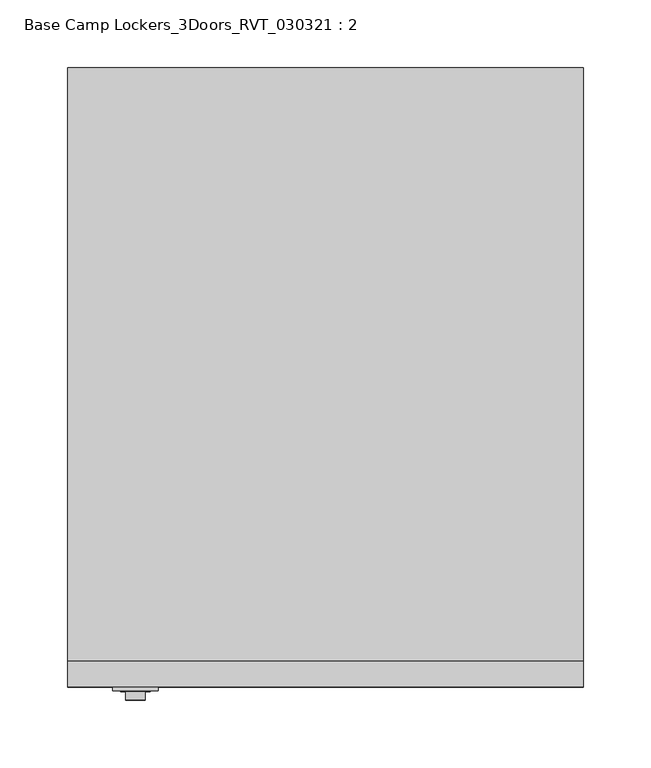
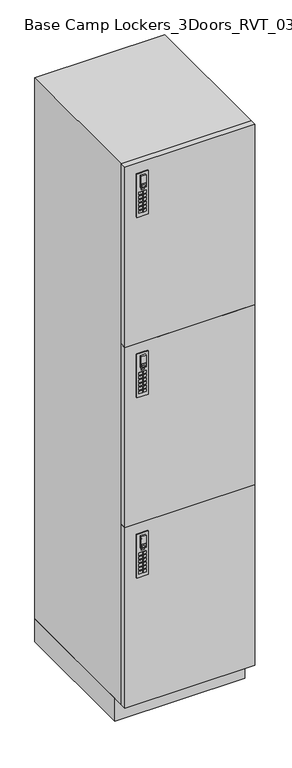
"""IFC4 building model written with IfcOpenShell, lengths in millimetres: furniture geometry, Base Camp Lockers_3Doors_RVT_030321 : 2."""

import ifcopenshell
import ifcopenshell.guid

model = None  # the IFC model being written
_history = None  # IfcOwnerHistory: only IFC2X3 demands one
_inside = {}  # id of a spatial element -> (the spatial element, [elements in it])
_under = {}  # id of a project, library or spatial element -> (it, [spatial elements below it])
_declared = {}  # id of a project -> (the project, [libraries it declares])
_typed = {}  # id of a type object -> (the type object, [elements of that type])
_made_of = {}  # id of a material, layer set ... -> (it, [elements and type objects made of it])


def new_model(schema):
    """Start an empty IFC model of exactly this schema.

    Asked for "IFC4X3", IfcOpenShell would pick the latest addendum, in which some entities
    have other attributes; the version numbers below select the first issue.
    IFC2X3 requires an IfcOwnerHistory on every rooted entity: one is made here for all.
    """
    global model, _history
    if schema == "IFC4X3":
        model = ifcopenshell.file(schema_version=(4, 3, 0, 0))
    else:
        model = ifcopenshell.file(schema=schema)
    _inside.clear()
    _under.clear()
    _declared.clear()
    _typed.clear()
    _made_of.clear()
    _history = None
    if model.schema == "IFC2X3":
        org = make("IfcOrganization", Name="unknown")
        user = make(
            "IfcPersonAndOrganization",
            ThePerson=make("IfcPerson", FamilyName="unknown"),
            TheOrganization=org,
        )
        app = make(
            "IfcApplication",
            ApplicationDeveloper=org,
            Version="unknown",
            ApplicationFullName="unknown",
            ApplicationIdentifier="unknown",
        )
        _history = make(
            "IfcOwnerHistory",
            OwningUser=user,
            OwningApplication=app,
            ChangeAction="ADDED",
            CreationDate=0,
        )
    return model


def make(cls, **values):
    """One entity of the class cls with the attributes given. An attribute that is None is left unset."""
    return model.create_entity(
        cls, **{name: value for name, value in values.items() if value is not None}
    )


def rooted(cls, **values):
    """An entity with a GlobalId (a new one), such as an element, a storey or a relation."""
    return make(cls, GlobalId=ifcopenshell.guid.new(), OwnerHistory=_history, **values)


def si_unit(unit_type, name, prefix=None):
    """IfcSIUnit, for example si_unit("LENGTHUNIT", "METRE", prefix="MILLI")."""
    return make("IfcSIUnit", UnitType=unit_type, Prefix=prefix, Name=name)


def assignment(units):
    """IfcUnitAssignment: the units of a project."""
    return None if units is None else make("IfcUnitAssignment", Units=units)


def point(xyz):
    """IfcCartesianPoint."""
    return None if xyz is None else make("IfcCartesianPoint", Coordinates=xyz)


def direction(xyz):
    """IfcDirection."""
    return None if xyz is None else make("IfcDirection", DirectionRatios=xyz)


def frame(location, z_axis=None, x_axis=None):
    """IfcAxis2Placement3D, a coordinate frame: its origin and axes. An axis left out is left unset."""
    return make(
        "IfcAxis2Placement3D",
        Location=point(location),
        Axis=direction(z_axis),
        RefDirection=direction(x_axis),
    )


def frame_2d(location, x_axis=None):
    """IfcAxis2Placement2D, a coordinate frame in the plane: its origin and x axis."""
    return make(
        "IfcAxis2Placement2D", Location=point(location), RefDirection=direction(x_axis)
    )


def origin():
    """The frame at (0, 0, 0) with its axes left unset."""
    return frame((0.0, 0.0, 0.0))


def origin_with_axes():
    """The frame at (0, 0, 0) with the z axis (0, 0, 1) and the x axis (1, 0, 0) written out."""
    return frame((0.0, 0.0, 0.0), z_axis=(0.0, 0.0, 1.0), x_axis=(1.0, 0.0, 0.0))


def place(relative_to, where):
    """IfcLocalPlacement: puts the frame where relative to a parent placement (None: the world)."""
    return make(
        "IfcLocalPlacement", PlacementRelTo=relative_to, RelativePlacement=where
    )


def context(
    kind, dimensions, precision=None, world=None, true_north=None, identifier=None
):
    """IfcGeometricRepresentationContext, for example the 3D "Model" context."""
    return make(
        "IfcGeometricRepresentationContext",
        ContextIdentifier=identifier,
        ContextType=kind,
        CoordinateSpaceDimension=dimensions,
        Precision=precision,
        WorldCoordinateSystem=world,
        TrueNorth=true_north,
    )


def project(units=None, contexts=None):
    """IfcProject with its units and contexts."""
    return rooted(
        "IfcProject",
        Name="project",
        RepresentationContexts=contexts,
        UnitsInContext=assignment(units),
    )


def spatial(cls, under=None, at=None, **own):
    """A site, building, storey or space (cls), placed at a placement, below another one or the project."""
    s = rooted(cls, ObjectPlacement=at, **own)
    if under is not None:
        _under.setdefault(under.id(), (under, []))[1].append(s)
    return s


def polyline(points):
    """IfcPolyline through the points."""
    return make("IfcPolyline", Points=[point(p) for p in points])


def circle_curve(where, radius):
    """IfcCircle in the frame where."""
    return make("IfcCircle", Position=where, Radius=radius)


def trimmed(basis, trim1, trim2, sense, master):
    """IfcTrimmedCurve: the piece of a basis curve between two trims."""
    return make(
        "IfcTrimmedCurve",
        BasisCurve=basis,
        Trim1=trim1,
        Trim2=trim2,
        SenseAgreement=sense,
        MasterRepresentation=master,
    )


def segment(curve, same_sense, transition):
    """IfcCompositeCurveSegment."""
    return make(
        "IfcCompositeCurveSegment",
        Transition=transition,
        SameSense=same_sense,
        ParentCurve=curve,
    )


def composite_curve(segments, self_intersect=None):
    """IfcCompositeCurve: segments joined end to end."""
    return make("IfcCompositeCurve", Segments=segments, SelfIntersect=self_intersect)


def outline(outer, holes=None, kind="AREA"):
    """IfcArbitraryClosedProfileDef: a profile drawn as a closed curve; with holes, ...WithVoids."""
    if holes is None:
        return make("IfcArbitraryClosedProfileDef", ProfileType=kind, OuterCurve=outer)
    return make(
        "IfcArbitraryProfileDefWithVoids",
        ProfileType=kind,
        OuterCurve=outer,
        InnerCurves=holes,
    )


def extrude(swept, where, along, depth):
    """IfcExtrudedAreaSolid: the profile swept, set in the frame where, extruded along a direction by depth."""
    return make(
        "IfcExtrudedAreaSolid",
        SweptArea=swept,
        Position=where,
        ExtrudedDirection=direction(along),
        Depth=depth,
    )


def shape(context_of_items, identifier, shape_type, items):
    """IfcShapeRepresentation: the items that make up one representation, for example the "Body"."""
    return make(
        "IfcShapeRepresentation",
        ContextOfItems=context_of_items,
        RepresentationIdentifier=identifier,
        RepresentationType=shape_type,
        Items=items,
    )


def source(mapping_origin, context_of_items, identifier, shape_type, items):
    """IfcRepresentationMap: a shape defined once, which mapped items show again and again."""
    return make(
        "IfcRepresentationMap",
        MappingOrigin=mapping_origin,
        MappedRepresentation=shape(context_of_items, identifier, shape_type, items),
    )


def transform(
    local_origin,
    x_axis=None,
    y_axis=None,
    z_axis=None,
    scale=None,
    scale2=None,
    scale3=None,
    uniform=True,
):
    """IfcCartesianTransformationOperator3D, or its non-uniform kind. x_axis, y_axis, z_axis: its Axis1, 2, 3."""
    if uniform:
        return make(
            "IfcCartesianTransformationOperator3D",
            Axis1=direction(x_axis),
            Axis2=direction(y_axis),
            LocalOrigin=point(local_origin),
            Scale=scale,
            Axis3=direction(z_axis),
        )
    return make(
        "IfcCartesianTransformationOperator3DnonUniform",
        Axis1=direction(x_axis),
        Axis2=direction(y_axis),
        LocalOrigin=point(local_origin),
        Scale=scale,
        Axis3=direction(z_axis),
        Scale2=scale2,
        Scale3=scale3,
    )


def mapped(mapping_source, mapping_target):
    """IfcMappedItem: shows the shape of a source again, moved by a transform."""
    return make(
        "IfcMappedItem", MappingSource=mapping_source, MappingTarget=mapping_target
    )


def made_of(thing, what):
    """Note that an element or type object is made of a material, layer set ...; save() writes the relation."""
    if what is not None:
        _made_of.setdefault(what.id(), (what, []))[1].append(thing)
    return thing


def element(
    cls,
    number,
    at=None,
    inside=None,
    cuts=None,
    type_object=None,
    material=None,
    context=None,
    identifier="Body",
    shape_type=None,
    held_by="IfcProductDefinitionShape",
    body=None,
    shapes=None,
    **own,
):
    """One element of the class cls, such as IfcWall. Its Tag is "e" and its number.

    at: its placement. inside: the storey or other place that contains it. cuts: it is an
    opening in that element (IfcRelVoidsElement). A single representation is given by context,
    identifier, shape_type and body (its items); several are given by shapes. held_by: the class
    of the entity that holds the representations. save() writes the other relations.
    """
    e = rooted(cls, Tag="e%d" % number, ObjectPlacement=at, **own)
    if body is not None:
        shapes = [shape(context, identifier, shape_type, body)]
    if shapes is not None:
        e.Representation = make(held_by, Representations=shapes)
    if inside is not None:
        _inside.setdefault(inside.id(), (inside, []))[1].append(e)
    if cuts is not None:
        rooted(
            "IfcRelVoidsElement", RelatingBuildingElement=cuts, RelatedOpeningElement=e
        )
    if type_object is not None:
        _typed.setdefault(type_object.id(), (type_object, []))[1].append(e)
    return made_of(e, material)


def aggregate(whole, parts):
    """IfcRelAggregates: a whole, such as a stair, and the parts it consists of."""
    return rooted("IfcRelAggregates", RelatingObject=whole, RelatedObjects=parts)


def save(model, path):
    """Write the relations noted so far, then the file.

    IfcRelAggregates (storeys below a building ...), IfcRelContainedInSpatialStructure (elements
    in a storey), IfcRelDefinesByType, IfcRelAssociatesMaterial and IfcRelDeclares: one each for
    every whole, place, type object, material and project.
    """
    for whole, parts in _under.values():
        aggregate(whole, parts)
    for where, things in _inside.values():
        rooted(
            "IfcRelContainedInSpatialStructure",
            RelatedElements=things,
            RelatingStructure=where,
        )
    for kind, things in _typed.values():
        rooted("IfcRelDefinesByType", RelatedObjects=things, RelatingType=kind)
    for what, things in _made_of.values():
        rooted("IfcRelAssociatesMaterial", RelatedObjects=things, RelatingMaterial=what)
    for by, libraries in _declared.values():
        rooted("IfcRelDeclares", RelatingContext=by, RelatedDefinitions=libraries)
    model.write(path)


def base_camp_lockers_3doors_rvt_030321_2_54a987f4(model_context):
    return source(origin(), model_context, "Body", "SweptSolid", [
        extrude(outline(polyline([(-335.5659847, -459.994), (-326.1679847, -459.994), (-326.1679847, -460.8078831), (-335.5659847, -460.8078831), (-335.5659847, -459.994)])), frame((0.0, 0.0, 546.5907206), z_axis=(0.0, 0.0, 1.0), x_axis=(1.0, 0.0, 0.0)), (0.0, 0.0, 1.0), 4.8387031),
        extrude(outline(polyline([(-341.8914743, -459.994), (-331.9854743, -459.994), (-331.9854743, -460.8078831), (-341.8914743, -460.8078831), (-341.8914743, -459.994)])), frame((0.0, 0.0, 510.032), z_axis=(0.0, 0.0, 1.0), x_axis=(1.0, 0.0, 0.0)), (0.0, 0.0, 1.0), 7.874),
        extrude(outline(polyline([(-341.8914743, -459.994), (-331.9854743, -459.994), (-331.9854743, -460.8078831), (-341.8914743, -460.8078831), (-341.8914743, -459.994)])), frame((0.0, 0.0, 498.602), z_axis=(0.0, 0.0, 1.0), x_axis=(1.0, 0.0, 0.0)), (0.0, 0.0, 1.0), 7.874),
        extrude(outline(polyline([(-341.8914743, -459.994), (-331.9854743, -459.994), (-331.9854743, -460.8078831), (-341.8914743, -460.8078831), (-341.8914743, -459.994)])), frame((0.0, 0.0, 532.892), z_axis=(0.0, 0.0, 1.0), x_axis=(1.0, 0.0, 0.0)), (0.0, 0.0, 1.0), 7.874),
        extrude(outline(polyline([(-341.8914743, -459.994), (-331.9854743, -459.994), (-331.9854743, -460.8078831), (-341.8914743, -460.8078831), (-341.8914743, -459.994)])), frame((0.0, 0.0, 521.462), z_axis=(0.0, 0.0, 1.0), x_axis=(1.0, 0.0, 0.0)), (0.0, 0.0, 1.0), 7.874),
        extrude(outline(polyline([(-341.8914743, -459.994), (-331.9854743, -459.994), (-331.9854743, -460.8078831), (-341.8914743, -460.8078831), (-341.8914743, -459.994)])), frame((0.0, 0.0, 487.172), z_axis=(0.0, 0.0, 1.0), x_axis=(1.0, 0.0, 0.0)), (0.0, 0.0, 1.0), 7.874),
        extrude(outline(polyline([(-341.8914743, -459.994), (-331.9854743, -459.994), (-331.9854743, -460.8078831), (-341.8914743, -460.8078831), (-341.8914743, -459.994)])), frame((0.0, 0.0, 475.742), z_axis=(0.0, 0.0, 1.0), x_axis=(1.0, 0.0, 0.0)), (0.0, 0.0, 1.0), 7.874),
        extrude(outline(polyline([(-329.9385257, -459.994), (-320.0325257, -459.994), (-320.0325257, -460.8078831), (-329.9385257, -460.8078831), (-329.9385257, -459.994)])), frame((0.0, 0.0, 510.032), z_axis=(0.0, 0.0, 1.0), x_axis=(1.0, 0.0, 0.0)), (0.0, 0.0, 1.0), 7.874),
        extrude(outline(polyline([(-329.9385257, -459.994), (-320.0325257, -459.994), (-320.0325257, -460.8078831), (-329.9385257, -460.8078831), (-329.9385257, -459.994)])), frame((0.0, 0.0, 498.602), z_axis=(0.0, 0.0, 1.0), x_axis=(1.0, 0.0, 0.0)), (0.0, 0.0, 1.0), 7.874),
        extrude(outline(polyline([(-329.9385257, -459.994), (-320.0325257, -459.994), (-320.0325257, -460.8078831), (-329.9385257, -460.8078831), (-329.9385257, -459.994)])), frame((0.0, 0.0, 532.892), z_axis=(0.0, 0.0, 1.0), x_axis=(1.0, 0.0, 0.0)), (0.0, 0.0, 1.0), 7.874),
        extrude(outline(polyline([(-329.9385257, -459.994), (-320.0325257, -459.994), (-320.0325257, -460.8078831), (-329.9385257, -460.8078831), (-329.9385257, -459.994)])), frame((0.0, 0.0, 521.462), z_axis=(0.0, 0.0, 1.0), x_axis=(1.0, 0.0, 0.0)), (0.0, 0.0, 1.0), 7.874),
        extrude(outline(polyline([(-329.9385257, -459.994), (-320.0325257, -459.994), (-320.0325257, -460.8078831), (-329.9385257, -460.8078831), (-329.9385257, -459.994)])), frame((0.0, 0.0, 487.172), z_axis=(0.0, 0.0, 1.0), x_axis=(1.0, 0.0, 0.0)), (0.0, 0.0, 1.0), 7.874),
        extrude(outline(polyline([(-329.9385257, -459.994), (-320.0325257, -459.994), (-320.0325257, -460.8078831), (-329.9385257, -460.8078831), (-329.9385257, -459.994)])), frame((0.0, 0.0, 475.742), z_axis=(0.0, 0.0, 1.0), x_axis=(1.0, 0.0, 0.0)), (0.0, 0.0, 1.0), 7.874),
        extrude(outline(composite_curve([segment(trimmed(circle_curve(frame_2d((582.4707407, -330.962)), 3.302), [point((582.4707407, -334.264))], [point((582.4707407, -327.66))], False, "CARTESIAN"), True, "CONTINUOUS"), segment(trimmed(circle_curve(frame_2d((582.4707407, -330.962)), 3.302), [point((582.4707407, -327.66))], [point((582.4707407, -334.264))], False, "CARTESIAN"), True, "CONTINUOUS")], self_intersect=False)), frame((0.0, -461.01, 0.0), z_axis=(0.0, 1.0, 0.0), x_axis=(0.0, 0.0, 1.0)), (0.0, 0.0, 1.0), 1.016),
        extrude(outline(polyline([(592.836, -323.723), (592.836, -338.201), (556.26, -338.201), (556.26, -323.723), (592.836, -323.723)]), holes=[polyline([(558.7050696, -326.1679847), (558.7050696, -335.5659847), (569.3404975, -335.5659847), (569.3404975, -326.1679847), (558.7050696, -326.1679847)])]), frame((0.0, -466.852, 0.0), z_axis=(0.0, 1.0, 0.0), x_axis=(0.0, 0.0, 1.0)), (0.0, 0.0, 1.0), 5.842),
        extrude(outline(polyline([(-347.726, -457.2), (-314.198, -457.2), (-314.198, -459.994), (-347.726, -459.994), (-347.726, -457.2)])), frame((0.0, 0.0, 464.566), z_axis=(0.0, 0.0, 1.0), x_axis=(1.0, 0.0, 0.0)), (0.0, 0.0, 1.0), 134.62),
        extrude(outline(polyline([(-335.5659847, -459.994), (-326.1679847, -459.994), (-326.1679847, -460.8078831), (-335.5659847, -460.8078831), (-335.5659847, -459.994)])), frame((0.0, 0.0, 1105.3907206), z_axis=(0.0, 0.0, 1.0), x_axis=(1.0, 0.0, 0.0)), (0.0, 0.0, 1.0), 4.8387031),
        extrude(outline(polyline([(-341.8914743, -459.994), (-331.9854743, -459.994), (-331.9854743, -460.8078831), (-341.8914743, -460.8078831), (-341.8914743, -459.994)])), frame((0.0, 0.0, 1068.832), z_axis=(0.0, 0.0, 1.0), x_axis=(1.0, 0.0, 0.0)), (0.0, 0.0, 1.0), 7.874),
        extrude(outline(polyline([(-341.8914743, -459.994), (-331.9854743, -459.994), (-331.9854743, -460.8078831), (-341.8914743, -460.8078831), (-341.8914743, -459.994)])), frame((0.0, 0.0, 1057.402), z_axis=(0.0, 0.0, 1.0), x_axis=(1.0, 0.0, 0.0)), (0.0, 0.0, 1.0), 7.874),
        extrude(outline(polyline([(-341.8914743, -459.994), (-331.9854743, -459.994), (-331.9854743, -460.8078831), (-341.8914743, -460.8078831), (-341.8914743, -459.994)])), frame((0.0, 0.0, 1091.692), z_axis=(0.0, 0.0, 1.0), x_axis=(1.0, 0.0, 0.0)), (0.0, 0.0, 1.0), 7.874),
        extrude(outline(polyline([(-341.8914743, -459.994), (-331.9854743, -459.994), (-331.9854743, -460.8078831), (-341.8914743, -460.8078831), (-341.8914743, -459.994)])), frame((0.0, 0.0, 1080.262), z_axis=(0.0, 0.0, 1.0), x_axis=(1.0, 0.0, 0.0)), (0.0, 0.0, 1.0), 7.874),
        extrude(outline(polyline([(-341.8914743, -459.994), (-331.9854743, -459.994), (-331.9854743, -460.8078831), (-341.8914743, -460.8078831), (-341.8914743, -459.994)])), frame((0.0, 0.0, 1045.972), z_axis=(0.0, 0.0, 1.0), x_axis=(1.0, 0.0, 0.0)), (0.0, 0.0, 1.0), 7.874),
        extrude(outline(polyline([(-341.8914743, -459.994), (-331.9854743, -459.994), (-331.9854743, -460.8078831), (-341.8914743, -460.8078831), (-341.8914743, -459.994)])), frame((0.0, 0.0, 1034.542), z_axis=(0.0, 0.0, 1.0), x_axis=(1.0, 0.0, 0.0)), (0.0, 0.0, 1.0), 7.874),
        extrude(outline(polyline([(-329.9385257, -459.994), (-320.0325257, -459.994), (-320.0325257, -460.8078831), (-329.9385257, -460.8078831), (-329.9385257, -459.994)])), frame((0.0, 0.0, 1068.832), z_axis=(0.0, 0.0, 1.0), x_axis=(1.0, 0.0, 0.0)), (0.0, 0.0, 1.0), 7.874),
        extrude(outline(polyline([(-329.9385257, -459.994), (-320.0325257, -459.994), (-320.0325257, -460.8078831), (-329.9385257, -460.8078831), (-329.9385257, -459.994)])), frame((0.0, 0.0, 1057.402), z_axis=(0.0, 0.0, 1.0), x_axis=(1.0, 0.0, 0.0)), (0.0, 0.0, 1.0), 7.874),
        extrude(outline(polyline([(-329.9385257, -459.994), (-320.0325257, -459.994), (-320.0325257, -460.8078831), (-329.9385257, -460.8078831), (-329.9385257, -459.994)])), frame((0.0, 0.0, 1091.692), z_axis=(0.0, 0.0, 1.0), x_axis=(1.0, 0.0, 0.0)), (0.0, 0.0, 1.0), 7.874),
        extrude(outline(polyline([(-329.9385257, -459.994), (-320.0325257, -459.994), (-320.0325257, -460.8078831), (-329.9385257, -460.8078831), (-329.9385257, -459.994)])), frame((0.0, 0.0, 1080.262), z_axis=(0.0, 0.0, 1.0), x_axis=(1.0, 0.0, 0.0)), (0.0, 0.0, 1.0), 7.874),
        extrude(outline(polyline([(-329.9385257, -459.994), (-320.0325257, -459.994), (-320.0325257, -460.8078831), (-329.9385257, -460.8078831), (-329.9385257, -459.994)])), frame((0.0, 0.0, 1045.972), z_axis=(0.0, 0.0, 1.0), x_axis=(1.0, 0.0, 0.0)), (0.0, 0.0, 1.0), 7.874),
        extrude(outline(polyline([(-329.9385257, -459.994), (-320.0325257, -459.994), (-320.0325257, -460.8078831), (-329.9385257, -460.8078831), (-329.9385257, -459.994)])), frame((0.0, 0.0, 1034.542), z_axis=(0.0, 0.0, 1.0), x_axis=(1.0, 0.0, 0.0)), (0.0, 0.0, 1.0), 7.874),
        extrude(outline(composite_curve([segment(trimmed(circle_curve(frame_2d((1141.2707407, -330.962)), 3.302), [point((1141.2707407, -334.264))], [point((1141.2707407, -327.66))], False, "CARTESIAN"), True, "CONTINUOUS"), segment(trimmed(circle_curve(frame_2d((1141.2707407, -330.962)), 3.302), [point((1141.2707407, -327.66))], [point((1141.2707407, -334.264))], False, "CARTESIAN"), True, "CONTINUOUS")], self_intersect=False)), frame((0.0, -461.01, 0.0), z_axis=(0.0, 1.0, 0.0), x_axis=(0.0, 0.0, 1.0)), (0.0, 0.0, 1.0), 1.016),
        extrude(outline(polyline([(1151.636, -323.723), (1151.636, -338.201), (1115.06, -338.201), (1115.06, -323.723), (1151.636, -323.723)]), holes=[polyline([(1117.5050696, -326.1679847), (1117.5050696, -335.5659847), (1128.1404975, -335.5659847), (1128.1404975, -326.1679847), (1117.5050696, -326.1679847)])]), frame((0.0, -466.852, 0.0), z_axis=(0.0, 1.0, 0.0), x_axis=(0.0, 0.0, 1.0)), (0.0, 0.0, 1.0), 5.842),
        extrude(outline(polyline([(-347.726, -457.2), (-314.198, -457.2), (-314.198, -459.994), (-347.726, -459.994), (-347.726, -457.2)])), frame((0.0, 0.0, 1023.366), z_axis=(0.0, 0.0, 1.0), x_axis=(1.0, 0.0, 0.0)), (0.0, 0.0, 1.0), 134.62),
        extrude(outline(polyline([(-335.5659847, -459.994), (-326.1679847, -459.994), (-326.1679847, -460.8078831), (-335.5659847, -460.8078831), (-335.5659847, -459.994)])), frame((0.0, 0.0, 1664.1907206), z_axis=(0.0, 0.0, 1.0), x_axis=(1.0, 0.0, 0.0)), (0.0, 0.0, 1.0), 4.8387031),
        extrude(outline(polyline([(-341.8914743, -459.994), (-331.9854743, -459.994), (-331.9854743, -460.8078831), (-341.8914743, -460.8078831), (-341.8914743, -459.994)])), frame((0.0, 0.0, 1627.632), z_axis=(0.0, 0.0, 1.0), x_axis=(1.0, 0.0, 0.0)), (0.0, 0.0, 1.0), 7.874),
        extrude(outline(polyline([(-341.8914743, -459.994), (-331.9854743, -459.994), (-331.9854743, -460.8078831), (-341.8914743, -460.8078831), (-341.8914743, -459.994)])), frame((0.0, 0.0, 1616.202), z_axis=(0.0, 0.0, 1.0), x_axis=(1.0, 0.0, 0.0)), (0.0, 0.0, 1.0), 7.874),
        extrude(outline(polyline([(-341.8914743, -459.994), (-331.9854743, -459.994), (-331.9854743, -460.8078831), (-341.8914743, -460.8078831), (-341.8914743, -459.994)])), frame((0.0, 0.0, 1650.492), z_axis=(0.0, 0.0, 1.0), x_axis=(1.0, 0.0, 0.0)), (0.0, 0.0, 1.0), 7.874),
        extrude(outline(polyline([(-341.8914743, -459.994), (-331.9854743, -459.994), (-331.9854743, -460.8078831), (-341.8914743, -460.8078831), (-341.8914743, -459.994)])), frame((0.0, 0.0, 1639.062), z_axis=(0.0, 0.0, 1.0), x_axis=(1.0, 0.0, 0.0)), (0.0, 0.0, 1.0), 7.874),
        extrude(outline(polyline([(-341.8914743, -459.994), (-331.9854743, -459.994), (-331.9854743, -460.8078831), (-341.8914743, -460.8078831), (-341.8914743, -459.994)])), frame((0.0, 0.0, 1604.772), z_axis=(0.0, 0.0, 1.0), x_axis=(1.0, 0.0, 0.0)), (0.0, 0.0, 1.0), 7.874),
        extrude(outline(polyline([(-341.8914743, -459.994), (-331.9854743, -459.994), (-331.9854743, -460.8078831), (-341.8914743, -460.8078831), (-341.8914743, -459.994)])), frame((0.0, 0.0, 1593.342), z_axis=(0.0, 0.0, 1.0), x_axis=(1.0, 0.0, 0.0)), (0.0, 0.0, 1.0), 7.874),
        extrude(outline(polyline([(-329.9385257, -459.994), (-320.0325257, -459.994), (-320.0325257, -460.8078831), (-329.9385257, -460.8078831), (-329.9385257, -459.994)])), frame((0.0, 0.0, 1627.632), z_axis=(0.0, 0.0, 1.0), x_axis=(1.0, 0.0, 0.0)), (0.0, 0.0, 1.0), 7.874),
        extrude(outline(polyline([(-329.9385257, -459.994), (-320.0325257, -459.994), (-320.0325257, -460.8078831), (-329.9385257, -460.8078831), (-329.9385257, -459.994)])), frame((0.0, 0.0, 1616.202), z_axis=(0.0, 0.0, 1.0), x_axis=(1.0, 0.0, 0.0)), (0.0, 0.0, 1.0), 7.874),
        extrude(outline(polyline([(-329.9385257, -459.994), (-320.0325257, -459.994), (-320.0325257, -460.8078831), (-329.9385257, -460.8078831), (-329.9385257, -459.994)])), frame((0.0, 0.0, 1650.492), z_axis=(0.0, 0.0, 1.0), x_axis=(1.0, 0.0, 0.0)), (0.0, 0.0, 1.0), 7.874),
        extrude(outline(polyline([(-329.9385257, -459.994), (-320.0325257, -459.994), (-320.0325257, -460.8078831), (-329.9385257, -460.8078831), (-329.9385257, -459.994)])), frame((0.0, 0.0, 1639.062), z_axis=(0.0, 0.0, 1.0), x_axis=(1.0, 0.0, 0.0)), (0.0, 0.0, 1.0), 7.874),
        extrude(outline(polyline([(-329.9385257, -459.994), (-320.0325257, -459.994), (-320.0325257, -460.8078831), (-329.9385257, -460.8078831), (-329.9385257, -459.994)])), frame((0.0, 0.0, 1604.772), z_axis=(0.0, 0.0, 1.0), x_axis=(1.0, 0.0, 0.0)), (0.0, 0.0, 1.0), 7.874),
        extrude(outline(polyline([(-329.9385257, -459.994), (-320.0325257, -459.994), (-320.0325257, -460.8078831), (-329.9385257, -460.8078831), (-329.9385257, -459.994)])), frame((0.0, 0.0, 1593.342), z_axis=(0.0, 0.0, 1.0), x_axis=(1.0, 0.0, 0.0)), (0.0, 0.0, 1.0), 7.874),
        extrude(outline(composite_curve([segment(trimmed(circle_curve(frame_2d((1700.0707407, -330.962)), 3.302), [point((1700.0707407, -334.264))], [point((1700.0707407, -327.66))], False, "CARTESIAN"), True, "CONTINUOUS"), segment(trimmed(circle_curve(frame_2d((1700.0707407, -330.962)), 3.302), [point((1700.0707407, -327.66))], [point((1700.0707407, -334.264))], False, "CARTESIAN"), True, "CONTINUOUS")], self_intersect=False)), frame((0.0, -461.01, 0.0), z_axis=(0.0, 1.0, 0.0), x_axis=(0.0, 0.0, 1.0)), (0.0, 0.0, 1.0), 1.016),
        extrude(outline(polyline([(1710.436, -323.723), (1710.436, -338.201), (1673.86, -338.201), (1673.86, -323.723), (1710.436, -323.723)]), holes=[polyline([(1676.3050696, -326.1679847), (1676.3050696, -335.5659847), (1686.9404975, -335.5659847), (1686.9404975, -326.1679847), (1676.3050696, -326.1679847)])]), frame((0.0, -466.852, 0.0), z_axis=(0.0, 1.0, 0.0), x_axis=(0.0, 0.0, 1.0)), (0.0, 0.0, 1.0), 5.842),
        extrude(outline(polyline([(-347.726, -457.2), (-314.198, -457.2), (-314.198, -459.994), (-347.726, -459.994), (-347.726, -457.2)])), frame((0.0, 0.0, 1582.166), z_axis=(0.0, 0.0, 1.0), x_axis=(1.0, 0.0, 0.0)), (0.0, 0.0, 1.0), 134.62),
        extrude(outline(polyline([(-381.0, -438.15), (0.0, -438.15), (0.0, -457.2), (-381.0, -457.2), (-381.0, -438.15)])), frame((0.0, 0.0, 71.12), z_axis=(0.0, 0.0, 1.0), x_axis=(1.0, 0.0, 0.0)), (0.0, 0.0, 1.0), 558.8),
        extrude(outline(polyline([(-381.0, -438.15), (0.0, -438.15), (0.0, -457.2), (-381.0, -457.2), (-381.0, -438.15)])), frame((0.0, 0.0, 629.92), z_axis=(0.0, 0.0, 1.0), x_axis=(1.0, 0.0, 0.0)), (0.0, 0.0, 1.0), 558.8),
        extrude(outline(polyline([(-381.0, -438.15), (0.0, -438.15), (0.0, -457.2), (-381.0, -457.2), (-381.0, -438.15)])), frame((0.0, 0.0, 1188.72), z_axis=(0.0, 0.0, 1.0), x_axis=(1.0, 0.0, 0.0)), (0.0, 0.0, 1.0), 558.8),
        extrude(outline(polyline([(0.0, 0.0), (0.0, -438.15), (-381.0, -438.15), (-381.0, 0.0), (0.0, 0.0)])), frame((0.0, 0.0, 71.12), z_axis=(0.0, 0.0, 1.0), x_axis=(1.0, 0.0, 0.0)), (0.0, 0.0, 1.0), 1676.4),
        extrude(outline(polyline([(0.0, -406.4), (-381.0, -406.4), (-381.0, 0.0), (0.0, 0.0), (0.0, -406.4)])), origin_with_axes(), (0.0, 0.0, 1.0), 71.12),
    ])


if __name__ == "__main__":
    model = new_model("IFC4")
    model_context = context("Model", 3, world=origin())
    ifc_project = project(units=[si_unit("LENGTHUNIT", "METRE", prefix="MILLI")], contexts=[model_context])
    site = spatial("IfcSite", under=ifc_project)
    building = spatial("IfcBuilding", under=site)
    placement = place(None, origin())
    base_camp_lockers_3doors_rvt_030321_2_shape = base_camp_lockers_3doors_rvt_030321_2_54a987f4(model_context)
    element("IfcFurniture", 1, ObjectType="Base Camp Lockers_3Doors_RVT_030321 : 2", at=placement, inside=building, context=model_context, shape_type="MappedRepresentation", body=[
        mapped(base_camp_lockers_3doors_rvt_030321_2_shape, transform((0.0, 0.0, 0.0), x_axis=(1.0, 0.0, 0.0), y_axis=(0.0, 1.0, 0.0), z_axis=(0.0, 0.0, 1.0))),
    ])
    save(model, "model.ifc")
